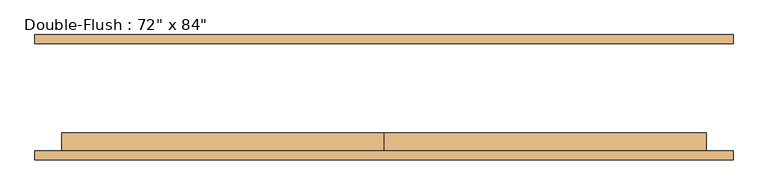
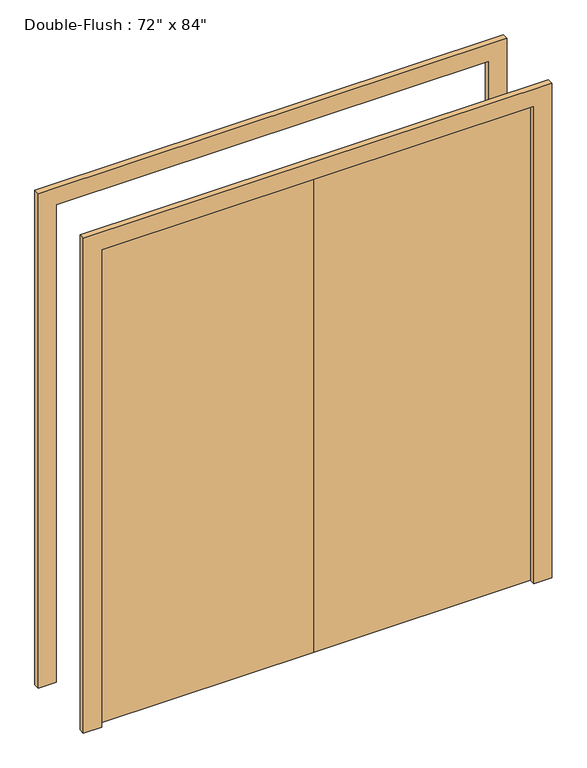
"""IFC4 building model written with IfcOpenShell, lengths in millimetres: door geometry."""

from ifc_helpers import new_model, si_unit, frame, origin, origin_with_axes, place, context, project, spatial, polyline, outline, extrude, source, transform, mapped, element, save


def door_8bfc97f4(model_context):
    return source(origin(), model_context, "Body", "SweptSolid", [
        extrude(outline(polyline([(0.0, -152.4), (0.0, -101.6), (914.4, -101.6), (914.4, -152.4), (0.0, -152.4)])), origin_with_axes(), (0.0, 0.0, 1.0), 2133.6),
        extrude(outline(polyline([(-914.4, -152.4), (-914.4, -101.6), (0.0, -101.6), (0.0, -152.4), (-914.4, -152.4)])), origin_with_axes(), (0.0, 0.0, 1.0), 2133.6),
        extrude(outline(polyline([(2133.6, -914.4), (2133.6, 914.4), (0.0, 914.4), (0.0, 990.6), (2209.8, 990.6), (2209.8, -990.6), (0.0, -990.6), (0.0, -914.4), (2133.6, -914.4)])), frame((0.0, 152.4, 0.0), z_axis=(0.0, 1.0, 0.0), x_axis=(0.0, 0.0, 1.0)), (0.0, 0.0, 1.0), 25.4),
        extrude(outline(polyline([(2133.6, -914.4), (2133.6, 914.4), (0.0, 914.4), (0.0, 990.6), (2209.8, 990.6), (2209.8, -990.6), (0.0, -990.6), (0.0, -914.4), (2133.6, -914.4)])), frame((0.0, -177.8, 0.0), z_axis=(0.0, 1.0, 0.0), x_axis=(0.0, 0.0, 1.0)), (0.0, 0.0, 1.0), 25.4),
    ])


if __name__ == "__main__":
    model = new_model("IFC4")
    model_context = context("Model", 3, world=origin())
    ifc_project = project(units=[si_unit("LENGTHUNIT", "METRE", prefix="MILLI")], contexts=[model_context])
    site = spatial("IfcSite", under=ifc_project)
    building = spatial("IfcBuilding", under=site)
    placement = place(None, origin())
    door_shape = door_8bfc97f4(model_context)
    element("IfcDoor", 1, ObjectType="Double-Flush : 72\" x 84\"", at=placement, inside=building, context=model_context, shape_type="MappedRepresentation", body=[
        mapped(door_shape, transform((0.0, 0.0, 0.0), x_axis=(1.0, 0.0, 0.0), y_axis=(0.0, 1.0, 0.0), z_axis=(0.0, 0.0, 1.0))),
    ])
    save(model, "model.ifc")
